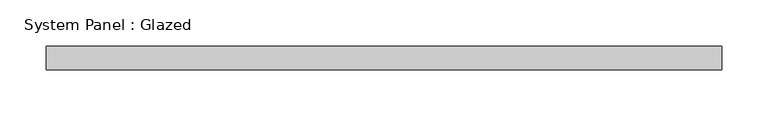
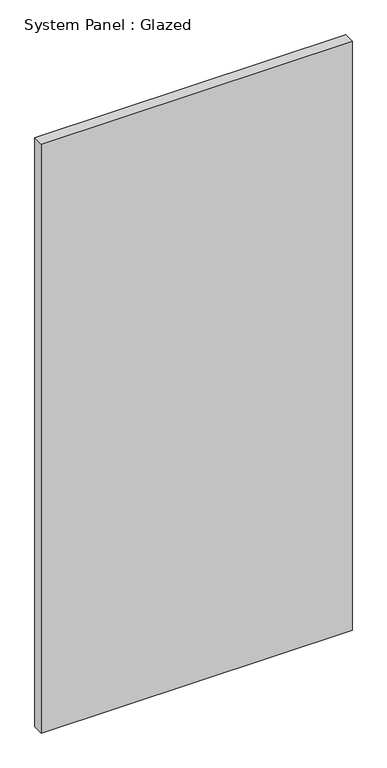
"""IFC4 building model written with IfcOpenShell, lengths in millimetres: plate geometry, System Panel : Glazed."""

import ifcopenshell
import ifcopenshell.guid

model = None  # the IFC model being written
_history = None  # IfcOwnerHistory: only IFC2X3 demands one
_inside = {}  # id of a spatial element -> (the spatial element, [elements in it])
_under = {}  # id of a project, library or spatial element -> (it, [spatial elements below it])
_declared = {}  # id of a project -> (the project, [libraries it declares])
_typed = {}  # id of a type object -> (the type object, [elements of that type])
_made_of = {}  # id of a material, layer set ... -> (it, [elements and type objects made of it])


def new_model(schema):
    """Start an empty IFC model of exactly this schema.

    Asked for "IFC4X3", IfcOpenShell would pick the latest addendum, in which some entities
    have other attributes; the version numbers below select the first issue.
    IFC2X3 requires an IfcOwnerHistory on every rooted entity: one is made here for all.
    """
    global model, _history
    if schema == "IFC4X3":
        model = ifcopenshell.file(schema_version=(4, 3, 0, 0))
    else:
        model = ifcopenshell.file(schema=schema)
    _inside.clear()
    _under.clear()
    _declared.clear()
    _typed.clear()
    _made_of.clear()
    _history = None
    if model.schema == "IFC2X3":
        org = make("IfcOrganization", Name="unknown")
        user = make(
            "IfcPersonAndOrganization",
            ThePerson=make("IfcPerson", FamilyName="unknown"),
            TheOrganization=org,
        )
        app = make(
            "IfcApplication",
            ApplicationDeveloper=org,
            Version="unknown",
            ApplicationFullName="unknown",
            ApplicationIdentifier="unknown",
        )
        _history = make(
            "IfcOwnerHistory",
            OwningUser=user,
            OwningApplication=app,
            ChangeAction="ADDED",
            CreationDate=0,
        )
    return model


def make(cls, **values):
    """One entity of the class cls with the attributes given. An attribute that is None is left unset."""
    return model.create_entity(
        cls, **{name: value for name, value in values.items() if value is not None}
    )


def rooted(cls, **values):
    """An entity with a GlobalId (a new one), such as an element, a storey or a relation."""
    return make(cls, GlobalId=ifcopenshell.guid.new(), OwnerHistory=_history, **values)


def si_unit(unit_type, name, prefix=None):
    """IfcSIUnit, for example si_unit("LENGTHUNIT", "METRE", prefix="MILLI")."""
    return make("IfcSIUnit", UnitType=unit_type, Prefix=prefix, Name=name)


def assignment(units):
    """IfcUnitAssignment: the units of a project."""
    return None if units is None else make("IfcUnitAssignment", Units=units)


def point(xyz):
    """IfcCartesianPoint."""
    return None if xyz is None else make("IfcCartesianPoint", Coordinates=xyz)


def direction(xyz):
    """IfcDirection."""
    return None if xyz is None else make("IfcDirection", DirectionRatios=xyz)


def frame(location, z_axis=None, x_axis=None):
    """IfcAxis2Placement3D, a coordinate frame: its origin and axes. An axis left out is left unset."""
    return make(
        "IfcAxis2Placement3D",
        Location=point(location),
        Axis=direction(z_axis),
        RefDirection=direction(x_axis),
    )


def origin():
    """The frame at (0, 0, 0) with its axes left unset."""
    return frame((0.0, 0.0, 0.0))


def origin_with_axes():
    """The frame at (0, 0, 0) with the z axis (0, 0, 1) and the x axis (1, 0, 0) written out."""
    return frame((0.0, 0.0, 0.0), z_axis=(0.0, 0.0, 1.0), x_axis=(1.0, 0.0, 0.0))


def place(relative_to, where):
    """IfcLocalPlacement: puts the frame where relative to a parent placement (None: the world)."""
    return make(
        "IfcLocalPlacement", PlacementRelTo=relative_to, RelativePlacement=where
    )


def context(
    kind, dimensions, precision=None, world=None, true_north=None, identifier=None
):
    """IfcGeometricRepresentationContext, for example the 3D "Model" context."""
    return make(
        "IfcGeometricRepresentationContext",
        ContextIdentifier=identifier,
        ContextType=kind,
        CoordinateSpaceDimension=dimensions,
        Precision=precision,
        WorldCoordinateSystem=world,
        TrueNorth=true_north,
    )


def project(units=None, contexts=None):
    """IfcProject with its units and contexts."""
    return rooted(
        "IfcProject",
        Name="project",
        RepresentationContexts=contexts,
        UnitsInContext=assignment(units),
    )


def spatial(cls, under=None, at=None, **own):
    """A site, building, storey or space (cls), placed at a placement, below another one or the project."""
    s = rooted(cls, ObjectPlacement=at, **own)
    if under is not None:
        _under.setdefault(under.id(), (under, []))[1].append(s)
    return s


def polyline(points):
    """IfcPolyline through the points."""
    return make("IfcPolyline", Points=[point(p) for p in points])


def outline(outer, holes=None, kind="AREA"):
    """IfcArbitraryClosedProfileDef: a profile drawn as a closed curve; with holes, ...WithVoids."""
    if holes is None:
        return make("IfcArbitraryClosedProfileDef", ProfileType=kind, OuterCurve=outer)
    return make(
        "IfcArbitraryProfileDefWithVoids",
        ProfileType=kind,
        OuterCurve=outer,
        InnerCurves=holes,
    )


def extrude(swept, where, along, depth):
    """IfcExtrudedAreaSolid: the profile swept, set in the frame where, extruded along a direction by depth."""
    return make(
        "IfcExtrudedAreaSolid",
        SweptArea=swept,
        Position=where,
        ExtrudedDirection=direction(along),
        Depth=depth,
    )


def shape(context_of_items, identifier, shape_type, items):
    """IfcShapeRepresentation: the items that make up one representation, for example the "Body"."""
    return make(
        "IfcShapeRepresentation",
        ContextOfItems=context_of_items,
        RepresentationIdentifier=identifier,
        RepresentationType=shape_type,
        Items=items,
    )


def source(mapping_origin, context_of_items, identifier, shape_type, items):
    """IfcRepresentationMap: a shape defined once, which mapped items show again and again."""
    return make(
        "IfcRepresentationMap",
        MappingOrigin=mapping_origin,
        MappedRepresentation=shape(context_of_items, identifier, shape_type, items),
    )


def transform(
    local_origin,
    x_axis=None,
    y_axis=None,
    z_axis=None,
    scale=None,
    scale2=None,
    scale3=None,
    uniform=True,
):
    """IfcCartesianTransformationOperator3D, or its non-uniform kind. x_axis, y_axis, z_axis: its Axis1, 2, 3."""
    if uniform:
        return make(
            "IfcCartesianTransformationOperator3D",
            Axis1=direction(x_axis),
            Axis2=direction(y_axis),
            LocalOrigin=point(local_origin),
            Scale=scale,
            Axis3=direction(z_axis),
        )
    return make(
        "IfcCartesianTransformationOperator3DnonUniform",
        Axis1=direction(x_axis),
        Axis2=direction(y_axis),
        LocalOrigin=point(local_origin),
        Scale=scale,
        Axis3=direction(z_axis),
        Scale2=scale2,
        Scale3=scale3,
    )


def mapped(mapping_source, mapping_target):
    """IfcMappedItem: shows the shape of a source again, moved by a transform."""
    return make(
        "IfcMappedItem", MappingSource=mapping_source, MappingTarget=mapping_target
    )


def made_of(thing, what):
    """Note that an element or type object is made of a material, layer set ...; save() writes the relation."""
    if what is not None:
        _made_of.setdefault(what.id(), (what, []))[1].append(thing)
    return thing


def element(
    cls,
    number,
    at=None,
    inside=None,
    cuts=None,
    type_object=None,
    material=None,
    context=None,
    identifier="Body",
    shape_type=None,
    held_by="IfcProductDefinitionShape",
    body=None,
    shapes=None,
    **own,
):
    """One element of the class cls, such as IfcWall. Its Tag is "e" and its number.

    at: its placement. inside: the storey or other place that contains it. cuts: it is an
    opening in that element (IfcRelVoidsElement). A single representation is given by context,
    identifier, shape_type and body (its items); several are given by shapes. held_by: the class
    of the entity that holds the representations. save() writes the other relations.
    """
    e = rooted(cls, Tag="e%d" % number, ObjectPlacement=at, **own)
    if body is not None:
        shapes = [shape(context, identifier, shape_type, body)]
    if shapes is not None:
        e.Representation = make(held_by, Representations=shapes)
    if inside is not None:
        _inside.setdefault(inside.id(), (inside, []))[1].append(e)
    if cuts is not None:
        rooted(
            "IfcRelVoidsElement", RelatingBuildingElement=cuts, RelatedOpeningElement=e
        )
    if type_object is not None:
        _typed.setdefault(type_object.id(), (type_object, []))[1].append(e)
    return made_of(e, material)


def aggregate(whole, parts):
    """IfcRelAggregates: a whole, such as a stair, and the parts it consists of."""
    return rooted("IfcRelAggregates", RelatingObject=whole, RelatedObjects=parts)


def save(model, path):
    """Write the relations noted so far, then the file.

    IfcRelAggregates (storeys below a building ...), IfcRelContainedInSpatialStructure (elements
    in a storey), IfcRelDefinesByType, IfcRelAssociatesMaterial and IfcRelDeclares: one each for
    every whole, place, type object, material and project.
    """
    for whole, parts in _under.values():
        aggregate(whole, parts)
    for where, things in _inside.values():
        rooted(
            "IfcRelContainedInSpatialStructure",
            RelatedElements=things,
            RelatingStructure=where,
        )
    for kind, things in _typed.values():
        rooted("IfcRelDefinesByType", RelatedObjects=things, RelatingType=kind)
    for what, things in _made_of.values():
        rooted("IfcRelAssociatesMaterial", RelatedObjects=things, RelatingMaterial=what)
    for by, libraries in _declared.values():
        rooted("IfcRelDeclares", RelatingContext=by, RelatedDefinitions=libraries)
    model.write(path)


def system_panel_glazed_232c9af8(model_context):
    return source(origin(), model_context, "Body", "SweptSolid", [
        extrude(outline(polyline([(366.1833333, -44.45), (-366.1833333, -44.45), (-366.1833333, -19.05), (366.1833333, -19.05), (366.1833333, -44.45)])), origin_with_axes(), (0.0, 0.0, 1.0), 1466.85),
    ])


if __name__ == "__main__":
    model = new_model("IFC4")
    model_context = context("Model", 3, world=origin())
    ifc_project = project(units=[si_unit("LENGTHUNIT", "METRE", prefix="MILLI")], contexts=[model_context])
    site = spatial("IfcSite", under=ifc_project)
    building = spatial("IfcBuilding", under=site)
    placement = place(None, origin())
    system_panel_glazed_shape = system_panel_glazed_232c9af8(model_context)
    element("IfcPlate", 1, ObjectType="System Panel : Glazed", at=placement, inside=building, context=model_context, shape_type="MappedRepresentation", body=[
        mapped(system_panel_glazed_shape, transform((0.0, 0.0, 0.0), x_axis=(1.0, 0.0, 0.0), y_axis=(0.0, 1.0, 0.0), z_axis=(0.0, 0.0, 1.0))),
    ])
    save(model, "model.ifc")
